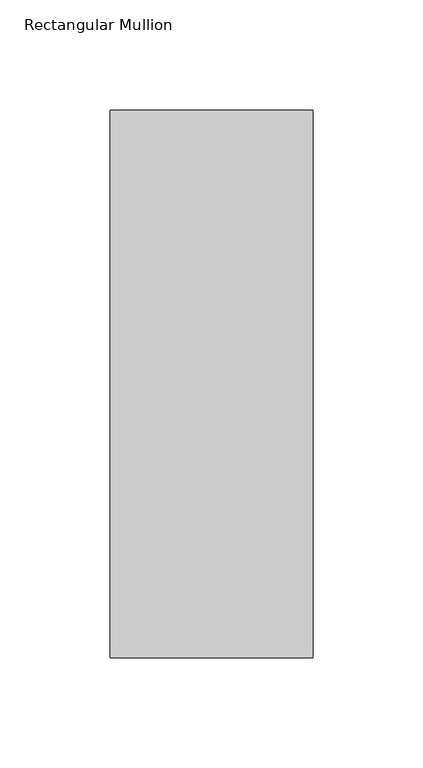
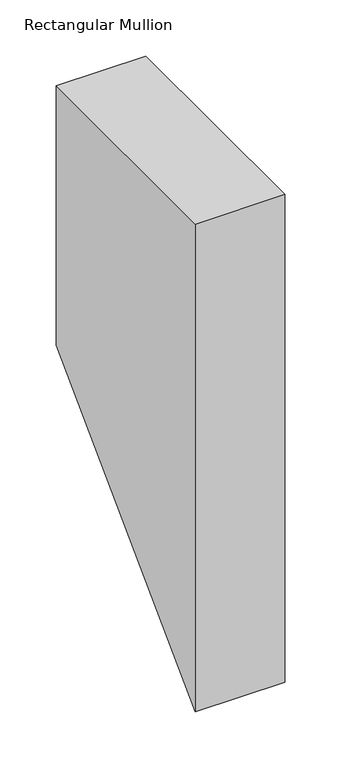
"""IFC4 building model written with IfcOpenShell, lengths in millimetres: member geometry, Rectangular Mullion."""

from ifc_helpers import new_model, si_unit, origin, place, context, project, spatial, faceted_brep, source, transform, mapped, element, save


def rectangular_mullion_f6eaf15b(model_context):
    return source(origin(), model_context, "Body", "Brep", [
        faceted_brep([(0.0154385, 295.1925444, 0.0), (-92.0849612, 295.1994606, 0.0), (-92.1036175, 46.7620603, 0.0), (-0.0032178, 46.755144, 0.0), (0.0154385, 295.1925444, -282.6574556), (-92.0849612, 295.1994606, -282.6505394), (-92.1036175, 46.7620603, -531.0879397), (-0.0032178, 46.755144, -531.094856)], [[[0, 1, 2, 3]], [[1, 0, 4, 5]], [[2, 1, 5, 6]], [[3, 2, 6, 7]], [[0, 3, 7, 4]], [[4, 7, 6, 5]]]),
    ])


if __name__ == "__main__":
    model = new_model("IFC4")
    model_context = context("Model", 3, world=origin())
    ifc_project = project(units=[si_unit("LENGTHUNIT", "METRE", prefix="MILLI")], contexts=[model_context])
    site = spatial("IfcSite", under=ifc_project)
    building = spatial("IfcBuilding", under=site)
    placement = place(None, origin())
    rectangular_mullion_shape = rectangular_mullion_f6eaf15b(model_context)
    element("IfcMember", 1, ObjectType="Rectangular Mullion", at=placement, inside=building, context=model_context, shape_type="MappedRepresentation", body=[
        mapped(rectangular_mullion_shape, transform((0.0, 0.0, 0.0), x_axis=(1.0, 0.0, 0.0), y_axis=(0.0, 1.0, 0.0), z_axis=(0.0, 0.0, 1.0))),
    ])
    save(model, "model.ifc")
